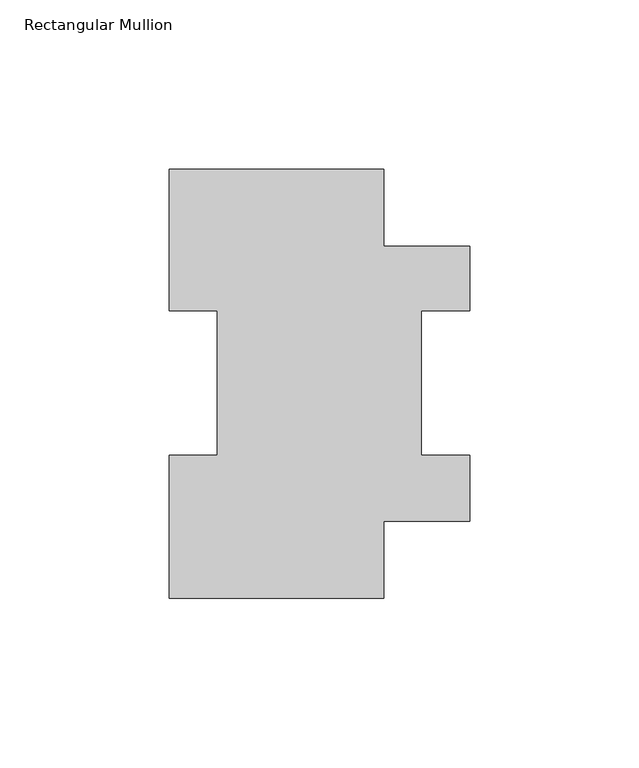
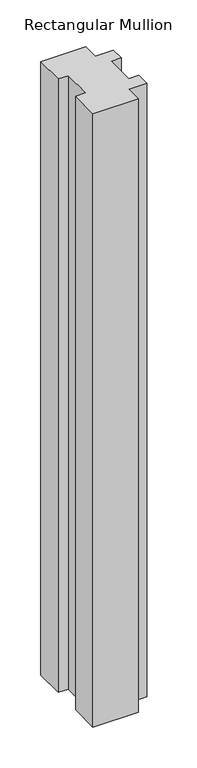
"""IFC4 building model written with IfcOpenShell, lengths in millimetres: member geometry, Rectangular Mullion."""

from ifc_helpers import new_model, si_unit, frame, origin, place, context, project, spatial, polyline, outline, extrude, source, transform, mapped, element, save


def rectangular_mullion_81c7aa3d(model_context):
    return source(origin(), model_context, "Body", "SweptSolid", [
        extrude(outline(polyline([(-31.75, 126.9888875), (31.75, 126.9888875), (31.75, 104.1796875), (57.15, 104.1796875), (57.15, 85.1296875), (42.8625, 85.1296875), (42.8625, 42.2798875), (57.15, 42.2798875), (57.15, 22.7980875), (31.75, 22.7980875), (31.75, -0.0111125), (-31.75, -0.0111125), (-31.75, 42.2798875), (-17.4625, 42.2798875), (-17.4625, 85.1296875), (-31.75, 85.1296875), (-31.75, 126.9888875)])), frame((0.0, 0.0, -914.4), z_axis=(0.0, 0.0, 1.0), x_axis=(1.0, 0.0, 0.0)), (0.0, 0.0, 1.0), 914.4),
    ])


if __name__ == "__main__":
    model = new_model("IFC4")
    model_context = context("Model", 3, world=origin())
    ifc_project = project(units=[si_unit("LENGTHUNIT", "METRE", prefix="MILLI")], contexts=[model_context])
    site = spatial("IfcSite", under=ifc_project)
    building = spatial("IfcBuilding", under=site)
    placement = place(None, origin())
    rectangular_mullion_shape = rectangular_mullion_81c7aa3d(model_context)
    element("IfcMember", 1, ObjectType="Rectangular Mullion", at=placement, inside=building, context=model_context, shape_type="MappedRepresentation", body=[
        mapped(rectangular_mullion_shape, transform((0.0, 0.0, 0.0), x_axis=(1.0, 0.0, 0.0), y_axis=(0.0, 1.0, 0.0), z_axis=(0.0, 0.0, 1.0))),
    ])
    save(model, "model.ifc")
